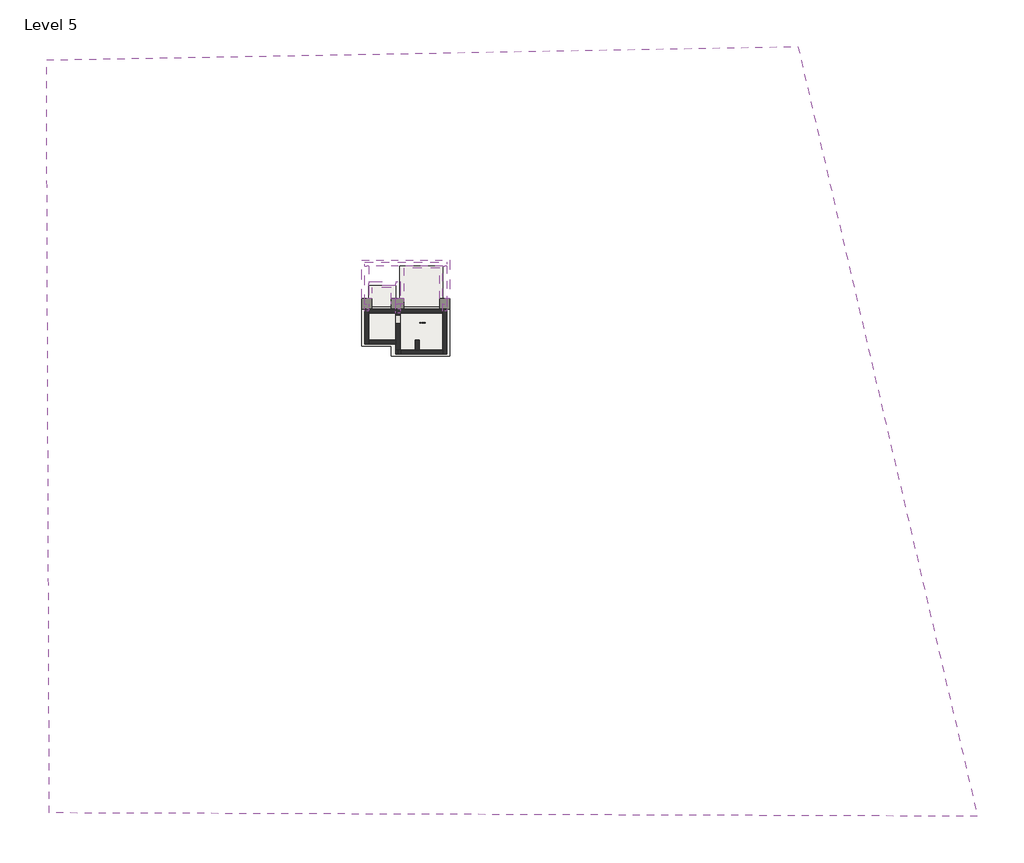
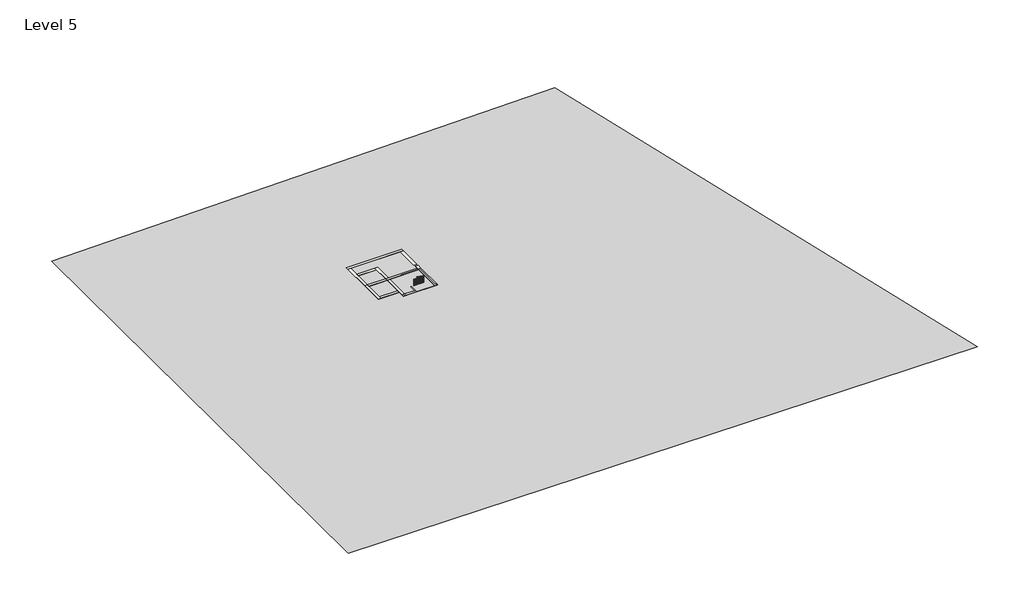
# One storey: 18 walls, 8 slabs, 1 proxy, 1 railing, 1 window.
"""IFC4 building model written with IfcOpenShell, lengths in millimetres."""

import ifcopenshell
import ifcopenshell.guid

model = None  # the IFC model being written
_history = None  # IfcOwnerHistory: only IFC2X3 demands one
_inside = {}  # id of a spatial element -> (the spatial element, [elements in it])
_under = {}  # id of a project, library or spatial element -> (it, [spatial elements below it])
_declared = {}  # id of a project -> (the project, [libraries it declares])
_typed = {}  # id of a type object -> (the type object, [elements of that type])
_made_of = {}  # id of a material, layer set ... -> (it, [elements and type objects made of it])


def new_model(schema):
    """Start an empty IFC model of exactly this schema.

    Asked for "IFC4X3", IfcOpenShell would pick the latest addendum, in which some entities
    have other attributes; the version numbers below select the first issue.
    IFC2X3 requires an IfcOwnerHistory on every rooted entity: one is made here for all.
    """
    global model, _history
    if schema == "IFC4X3":
        model = ifcopenshell.file(schema_version=(4, 3, 0, 0))
    else:
        model = ifcopenshell.file(schema=schema)
    _inside.clear()
    _under.clear()
    _declared.clear()
    _typed.clear()
    _made_of.clear()
    _history = None
    if model.schema == "IFC2X3":
        org = make("IfcOrganization", Name="unknown")
        user = make(
            "IfcPersonAndOrganization",
            ThePerson=make("IfcPerson", FamilyName="unknown"),
            TheOrganization=org,
        )
        app = make(
            "IfcApplication",
            ApplicationDeveloper=org,
            Version="unknown",
            ApplicationFullName="unknown",
            ApplicationIdentifier="unknown",
        )
        _history = make(
            "IfcOwnerHistory",
            OwningUser=user,
            OwningApplication=app,
            ChangeAction="ADDED",
            CreationDate=0,
        )
    return model


def make(cls, **values):
    """One entity of the class cls with the attributes given. An attribute that is None is left unset."""
    return model.create_entity(
        cls, **{name: value for name, value in values.items() if value is not None}
    )


def rooted(cls, **values):
    """An entity with a GlobalId (a new one), such as an element, a storey or a relation."""
    return make(cls, GlobalId=ifcopenshell.guid.new(), OwnerHistory=_history, **values)


def si_unit(unit_type, name, prefix=None):
    """IfcSIUnit, for example si_unit("LENGTHUNIT", "METRE", prefix="MILLI")."""
    return make("IfcSIUnit", UnitType=unit_type, Prefix=prefix, Name=name)


def assignment(units):
    """IfcUnitAssignment: the units of a project."""
    return None if units is None else make("IfcUnitAssignment", Units=units)


def point(xyz):
    """IfcCartesianPoint."""
    return None if xyz is None else make("IfcCartesianPoint", Coordinates=xyz)


def direction(xyz):
    """IfcDirection."""
    return None if xyz is None else make("IfcDirection", DirectionRatios=xyz)


def frame(location, z_axis=None, x_axis=None):
    """IfcAxis2Placement3D, a coordinate frame: its origin and axes. An axis left out is left unset."""
    return make(
        "IfcAxis2Placement3D",
        Location=point(location),
        Axis=direction(z_axis),
        RefDirection=direction(x_axis),
    )


def origin():
    """The frame at (0, 0, 0) with its axes left unset."""
    return frame((0.0, 0.0, 0.0))


def place(relative_to, where):
    """IfcLocalPlacement: puts the frame where relative to a parent placement (None: the world)."""
    return make(
        "IfcLocalPlacement", PlacementRelTo=relative_to, RelativePlacement=where
    )


def context(
    kind, dimensions, precision=None, world=None, true_north=None, identifier=None
):
    """IfcGeometricRepresentationContext, for example the 3D "Model" context."""
    return make(
        "IfcGeometricRepresentationContext",
        ContextIdentifier=identifier,
        ContextType=kind,
        CoordinateSpaceDimension=dimensions,
        Precision=precision,
        WorldCoordinateSystem=world,
        TrueNorth=true_north,
    )


def project(units=None, contexts=None):
    """IfcProject with its units and contexts."""
    return rooted(
        "IfcProject",
        Name="project",
        RepresentationContexts=contexts,
        UnitsInContext=assignment(units),
    )


def spatial(cls, under=None, at=None, **own):
    """A site, building, storey or space (cls), placed at a placement, below another one or the project."""
    s = rooted(cls, ObjectPlacement=at, **own)
    if under is not None:
        _under.setdefault(under.id(), (under, []))[1].append(s)
    return s


def polyline(points):
    """IfcPolyline through the points."""
    return make("IfcPolyline", Points=[point(p) for p in points])


def point_list(points):
    """IfcCartesianPointList2D or 3D."""
    cls = (
        "IfcCartesianPointList2D" if len(points[0]) == 2 else "IfcCartesianPointList3D"
    )
    return make(cls, CoordList=points)


def outline(outer, holes=None, kind="AREA"):
    """IfcArbitraryClosedProfileDef: a profile drawn as a closed curve; with holes, ...WithVoids."""
    if holes is None:
        return make("IfcArbitraryClosedProfileDef", ProfileType=kind, OuterCurve=outer)
    return make(
        "IfcArbitraryProfileDefWithVoids",
        ProfileType=kind,
        OuterCurve=outer,
        InnerCurves=holes,
    )


def extrude(swept, where, along, depth):
    """IfcExtrudedAreaSolid: the profile swept, set in the frame where, extruded along a direction by depth."""
    return make(
        "IfcExtrudedAreaSolid",
        SweptArea=swept,
        Position=where,
        ExtrudedDirection=direction(along),
        Depth=depth,
    )


def faces_of(points, faces, orient=None, outer=None):
    """IfcFace entities. A face is a list of loops; a loop is a list of indices into points, from 0.

    orient and outer hold one flag for each loop. By default every Orientation is true, the
    first loop of a face is its IfcFaceOuterBound and the others are IfcFaceBound.
    """
    made = []
    for i, loops in enumerate(faces):
        bounds = []
        for j, loop in enumerate(loops):
            is_outer = j == 0 if outer is None else outer[i][j]
            bounds.append(
                make(
                    "IfcFaceOuterBound" if is_outer else "IfcFaceBound",
                    Bound=make("IfcPolyLoop", Polygon=[points[k] for k in loop]),
                    Orientation=True if orient is None else orient[i][j],
                )
            )
        made.append(make("IfcFace", Bounds=bounds))
    return made


def faceted_brep(points, faces, orient=None, outer=None, voids=None):
    """IfcFacetedBrep: a solid bounded by flat faces; with voids (closed shells), ...WithVoids."""
    shared = [point(p) for p in points]
    hull = make("IfcClosedShell", CfsFaces=faces_of(shared, faces, orient, outer))
    if voids is None:
        return make("IfcFacetedBrep", Outer=hull)
    return make(
        "IfcFacetedBrepWithVoids",
        Outer=hull,
        Voids=[
            make(cls, CfsFaces=faces_of(shared, fs, o, b)) for cls, fs, o, b in voids
        ],
    )


def triangles(points, corners, closed=None, point_numbers=None):
    """IfcTriangulatedFaceSet: each triangle names its three corners, points numbered from 1."""
    return make(
        "IfcTriangulatedFaceSet",
        Coordinates=point_list(points),
        Closed=closed,
        CoordIndex=corners,
        PnIndex=point_numbers,
    )


def shape(context_of_items, identifier, shape_type, items):
    """IfcShapeRepresentation: the items that make up one representation, for example the "Body"."""
    return make(
        "IfcShapeRepresentation",
        ContextOfItems=context_of_items,
        RepresentationIdentifier=identifier,
        RepresentationType=shape_type,
        Items=items,
    )


def source(mapping_origin, context_of_items, identifier, shape_type, items):
    """IfcRepresentationMap: a shape defined once, which mapped items show again and again."""
    return make(
        "IfcRepresentationMap",
        MappingOrigin=mapping_origin,
        MappedRepresentation=shape(context_of_items, identifier, shape_type, items),
    )


def transform(
    local_origin,
    x_axis=None,
    y_axis=None,
    z_axis=None,
    scale=None,
    scale2=None,
    scale3=None,
    uniform=True,
):
    """IfcCartesianTransformationOperator3D, or its non-uniform kind. x_axis, y_axis, z_axis: its Axis1, 2, 3."""
    if uniform:
        return make(
            "IfcCartesianTransformationOperator3D",
            Axis1=direction(x_axis),
            Axis2=direction(y_axis),
            LocalOrigin=point(local_origin),
            Scale=scale,
            Axis3=direction(z_axis),
        )
    return make(
        "IfcCartesianTransformationOperator3DnonUniform",
        Axis1=direction(x_axis),
        Axis2=direction(y_axis),
        LocalOrigin=point(local_origin),
        Scale=scale,
        Axis3=direction(z_axis),
        Scale2=scale2,
        Scale3=scale3,
    )


def mapped(mapping_source, mapping_target):
    """IfcMappedItem: shows the shape of a source again, moved by a transform."""
    return make(
        "IfcMappedItem", MappingSource=mapping_source, MappingTarget=mapping_target
    )


def made_of(thing, what):
    """Note that an element or type object is made of a material, layer set ...; save() writes the relation."""
    if what is not None:
        _made_of.setdefault(what.id(), (what, []))[1].append(thing)
    return thing


def element(
    cls,
    number,
    at=None,
    inside=None,
    cuts=None,
    type_object=None,
    material=None,
    context=None,
    identifier="Body",
    shape_type=None,
    held_by="IfcProductDefinitionShape",
    body=None,
    shapes=None,
    **own,
):
    """One element of the class cls, such as IfcWall. Its Tag is "e" and its number.

    at: its placement. inside: the storey or other place that contains it. cuts: it is an
    opening in that element (IfcRelVoidsElement). A single representation is given by context,
    identifier, shape_type and body (its items); several are given by shapes. held_by: the class
    of the entity that holds the representations. save() writes the other relations.
    """
    e = rooted(cls, Tag="e%d" % number, ObjectPlacement=at, **own)
    if body is not None:
        shapes = [shape(context, identifier, shape_type, body)]
    if shapes is not None:
        e.Representation = make(held_by, Representations=shapes)
    if inside is not None:
        _inside.setdefault(inside.id(), (inside, []))[1].append(e)
    if cuts is not None:
        rooted(
            "IfcRelVoidsElement", RelatingBuildingElement=cuts, RelatedOpeningElement=e
        )
    if type_object is not None:
        _typed.setdefault(type_object.id(), (type_object, []))[1].append(e)
    return made_of(e, material)


def aggregate(whole, parts):
    """IfcRelAggregates: a whole, such as a stair, and the parts it consists of."""
    return rooted("IfcRelAggregates", RelatingObject=whole, RelatedObjects=parts)


def save(model, path):
    """Write the relations noted so far, then the file.

    IfcRelAggregates (storeys below a building ...), IfcRelContainedInSpatialStructure (elements
    in a storey), IfcRelDefinesByType, IfcRelAssociatesMaterial and IfcRelDeclares: one each for
    every whole, place, type object, material and project.
    """
    for whole, parts in _under.values():
        aggregate(whole, parts)
    for where, things in _inside.values():
        rooted(
            "IfcRelContainedInSpatialStructure",
            RelatedElements=things,
            RelatingStructure=where,
        )
    for kind, things in _typed.values():
        rooted("IfcRelDefinesByType", RelatedObjects=things, RelatingType=kind)
    for what, things in _made_of.values():
        rooted("IfcRelAssociatesMaterial", RelatedObjects=things, RelatingMaterial=what)
    for by, libraries in _declared.values():
        rooted("IfcRelDeclares", RelatingContext=by, RelatedDefinitions=libraries)
    model.write(path)


def handrail_rectangular_247eb8ce(model_context):
    return source(origin(), model_context, "Body", "SolidModel", [
        faceted_brep([(-3885.6525104, -4035.1378962, -1298.7684971), (-3885.6525104, -3984.3378962, -1298.7684971), (-3885.6525104, -3984.3378962, -1361.6716773), (-3885.6525104, -4035.1378962, -1361.6716773), (-2591.0525104, -4035.1378962, -353.385157), (-2591.0525104, -4035.1378962, -416.2883372), (-2591.0525104, -3984.3378962, -416.2883372), (-2591.0525104, -3984.3378962, -353.385157)], [[[0, 1, 2, 3]], [[4, 5, 6, 7]], [[1, 0, 4, 7]], [[2, 1, 7, 6]], [[3, 2, 6, 5]], [[0, 3, 5, 4]]]),
        faceted_brep([(-2591.0525104, -3984.3378962, -161.1789565), (-2540.2525104, -3984.3378962, -161.1789565), (-2540.2525104, -3984.3378962, -223.479984), (-2591.0525104, -3984.3378962, -223.479984), (-2591.0525104, -5629.7378962, 1007.0), (-2540.2525104, -5629.7378962, 1007.0), (-2540.2525104, -5645.9372899, 956.2), (-2591.0525104, -5645.9372899, 956.2), (-2591.0525104, -5767.4937808, 1007.0), (-2540.2525104, -5818.2937808, 1007.0), (-2540.2525104, -5818.2937808, 956.2), (-2591.0525104, -5767.4937808, 956.2), (-3958.5854491, -5767.4937808, 1007.0), (-3958.5854491, -5767.4937808, 956.2), (-3958.5854491, -5818.2937808, 956.2), (-3958.5854491, -5818.2937808, 1007.0)], [[[0, 1, 2, 3]], [[1, 0, 4, 5]], [[2, 1, 5, 6]], [[3, 2, 6, 7]], [[0, 3, 7, 4]], [[5, 4, 8, 9]], [[6, 5, 9, 10]], [[7, 6, 10, 11]], [[4, 7, 11, 8]], [[12, 13, 14, 15]], [[9, 8, 12, 15]], [[10, 9, 15, 14]], [[11, 10, 14, 13]], [[8, 11, 13, 12]]]),
        extrude(outline(polyline([(-3876.9275104, -5783.3687808), (-3876.9275104, -5802.4187808), (-3895.9775104, -5802.4187808), (-3895.9775104, -5783.3687808), (-3876.9275104, -5783.3687808)])), frame((0.0, 0.0, 92.6), z_axis=(0.0, 0.0, 1.0), x_axis=(1.0, 0.0, 0.0)), (0.0, 0.0, 1.0), 863.6),
        extrude(outline(polyline([(-3775.3275104, -5783.3687808), (-3775.3275104, -5802.4187808), (-3794.3775104, -5802.4187808), (-3794.3775104, -5783.3687808), (-3775.3275104, -5783.3687808)])), frame((0.0, 0.0, 92.6), z_axis=(0.0, 0.0, 1.0), x_axis=(1.0, 0.0, 0.0)), (0.0, 0.0, 1.0), 863.6),
        extrude(outline(polyline([(-3673.7275104, -5783.3687808), (-3673.7275104, -5802.4187808), (-3692.7775104, -5802.4187808), (-3692.7775104, -5783.3687808), (-3673.7275104, -5783.3687808)])), frame((0.0, 0.0, 92.6), z_axis=(0.0, 0.0, 1.0), x_axis=(1.0, 0.0, 0.0)), (0.0, 0.0, 1.0), 863.6),
        extrude(outline(polyline([(-3572.1275104, -5783.3687808), (-3572.1275104, -5802.4187808), (-3591.1775104, -5802.4187808), (-3591.1775104, -5783.3687808), (-3572.1275104, -5783.3687808)])), frame((0.0, 0.0, 92.6), z_axis=(0.0, 0.0, 1.0), x_axis=(1.0, 0.0, 0.0)), (0.0, 0.0, 1.0), 863.6),
        extrude(outline(polyline([(-3470.5275104, -5783.3687808), (-3470.5275104, -5802.4187808), (-3489.5775104, -5802.4187808), (-3489.5775104, -5783.3687808), (-3470.5275104, -5783.3687808)])), frame((0.0, 0.0, 92.6), z_axis=(0.0, 0.0, 1.0), x_axis=(1.0, 0.0, 0.0)), (0.0, 0.0, 1.0), 863.6),
        extrude(outline(polyline([(-3368.9275104, -5783.3687808), (-3368.9275104, -5802.4187808), (-3387.9775104, -5802.4187808), (-3387.9775104, -5783.3687808), (-3368.9275104, -5783.3687808)])), frame((0.0, 0.0, 92.6), z_axis=(0.0, 0.0, 1.0), x_axis=(1.0, 0.0, 0.0)), (0.0, 0.0, 1.0), 863.6),
        extrude(outline(polyline([(-3267.3275104, -5783.3687808), (-3267.3275104, -5802.4187808), (-3286.3775104, -5802.4187808), (-3286.3775104, -5783.3687808), (-3267.3275104, -5783.3687808)])), frame((0.0, 0.0, 92.6), z_axis=(0.0, 0.0, 1.0), x_axis=(1.0, 0.0, 0.0)), (0.0, 0.0, 1.0), 863.6),
        extrude(outline(polyline([(-3165.7275104, -5783.3687808), (-3165.7275104, -5802.4187808), (-3184.7775104, -5802.4187808), (-3184.7775104, -5783.3687808), (-3165.7275104, -5783.3687808)])), frame((0.0, 0.0, 92.6), z_axis=(0.0, 0.0, 1.0), x_axis=(1.0, 0.0, 0.0)), (0.0, 0.0, 1.0), 863.6),
        extrude(outline(polyline([(-3064.1275104, -5783.3687808), (-3064.1275104, -5802.4187808), (-3083.1775104, -5802.4187808), (-3083.1775104, -5783.3687808), (-3064.1275104, -5783.3687808)])), frame((0.0, 0.0, 92.6), z_axis=(0.0, 0.0, 1.0), x_axis=(1.0, 0.0, 0.0)), (0.0, 0.0, 1.0), 863.6),
        extrude(outline(polyline([(-2962.5275104, -5783.3687808), (-2962.5275104, -5802.4187808), (-2981.5775104, -5802.4187808), (-2981.5775104, -5783.3687808), (-2962.5275104, -5783.3687808)])), frame((0.0, 0.0, 92.6), z_axis=(0.0, 0.0, 1.0), x_axis=(1.0, 0.0, 0.0)), (0.0, 0.0, 1.0), 863.6),
        extrude(outline(polyline([(-2860.9275104, -5783.3687808), (-2860.9275104, -5802.4187808), (-2879.9775104, -5802.4187808), (-2879.9775104, -5783.3687808), (-2860.9275104, -5783.3687808)])), frame((0.0, 0.0, 92.6), z_axis=(0.0, 0.0, 1.0), x_axis=(1.0, 0.0, 0.0)), (0.0, 0.0, 1.0), 863.6),
        extrude(outline(polyline([(-2759.3275104, -5783.3687808), (-2759.3275104, -5802.4187808), (-2778.3775104, -5802.4187808), (-2778.3775104, -5783.3687808), (-2759.3275104, -5783.3687808)])), frame((0.0, 0.0, 92.6), z_axis=(0.0, 0.0, 1.0), x_axis=(1.0, 0.0, 0.0)), (0.0, 0.0, 1.0), 863.6),
        extrude(outline(polyline([(-2657.7275104, -5783.3687808), (-2657.7275104, -5802.4187808), (-2676.7775104, -5802.4187808), (-2676.7775104, -5783.3687808), (-2657.7275104, -5783.3687808)])), frame((0.0, 0.0, 92.6), z_axis=(0.0, 0.0, 1.0), x_axis=(1.0, 0.0, 0.0)), (0.0, 0.0, 1.0), 863.6),
        extrude(outline(polyline([(-2575.1775104, -5721.8128962), (-2556.1275104, -5721.8128962), (-2556.1275104, -5740.8628962), (-2575.1775104, -5740.8628962), (-2575.1775104, -5721.8128962)])), frame((0.0, 0.0, 92.6), z_axis=(0.0, 0.0, 1.0), x_axis=(1.0, 0.0, 0.0)), (0.0, 0.0, 1.0), 863.6),
        extrude(outline(polyline([(-5543.2628962, 883.3046153), (-5524.2128962, 869.7797525), (-5524.2128962, -99.0909677), (-5543.2628962, -99.0909677), (-5543.2628962, 883.3046153)])), frame((-2575.1775104, 0.0, 0.0), z_axis=(1.0, 0.0, 0.0), x_axis=(0.0, 1.0, 0.0)), (0.0, 0.0, 1.0), 19.05),
        extrude(outline(polyline([(-5441.6628962, 811.1720141), (-5422.6128962, 797.6471514), (-5422.6128962, -99.0909677), (-5441.6628962, -99.0909677), (-5441.6628962, 811.1720141)])), frame((-2575.1775104, 0.0, 0.0), z_axis=(1.0, 0.0, 0.0), x_axis=(0.0, 1.0, 0.0)), (0.0, 0.0, 1.0), 19.05),
        extrude(outline(polyline([(-5340.0628962, 738.9506671), (-5321.0128962, 725.4258044), (-5321.0128962, -290.7819354), (-5340.0628962, -290.7819354), (-5340.0628962, 738.9506671)])), frame((-2575.1775104, 0.0, 0.0), z_axis=(1.0, 0.0, 0.0), x_axis=(0.0, 1.0, 0.0)), (0.0, 0.0, 1.0), 19.05),
        extrude(outline(polyline([(-5238.4628962, 666.9068117), (-5219.4128962, 653.381949), (-5219.4128962, -290.7819354), (-5238.4628962, -290.7819354), (-5238.4628962, 666.9068117)])), frame((-2575.1775104, 0.0, 0.0), z_axis=(1.0, 0.0, 0.0), x_axis=(0.0, 1.0, 0.0)), (0.0, 0.0, 1.0), 19.05),
        extrude(outline(polyline([(-5136.8628962, 594.7742106), (-5117.8128962, 581.2493478), (-5117.8128962, -290.7819354), (-5136.8628962, -290.7819354), (-5136.8628962, 594.7742106)])), frame((-2575.1775104, 0.0, 0.0), z_axis=(1.0, 0.0, 0.0), x_axis=(0.0, 1.0, 0.0)), (0.0, 0.0, 1.0), 19.05),
        extrude(outline(polyline([(-5035.2628962, 522.6416094), (-5016.2128962, 509.1167467), (-5016.2128962, -482.4729031), (-5035.2628962, -482.4729031), (-5035.2628962, 522.6416094)])), frame((-2575.1775104, 0.0, 0.0), z_axis=(1.0, 0.0, 0.0), x_axis=(0.0, 1.0, 0.0)), (0.0, 0.0, 1.0), 19.05),
        extrude(outline(polyline([(-4933.6628962, 450.5090082), (-4914.6128962, 436.9841455), (-4914.6128962, -482.4729031), (-4933.6628962, -482.4729031), (-4933.6628962, 450.5090082)])), frame((-2575.1775104, 0.0, 0.0), z_axis=(1.0, 0.0, 0.0), x_axis=(0.0, 1.0, 0.0)), (0.0, 0.0, 1.0), 19.05),
        extrude(outline(polyline([(-4832.0628962, 378.376407), (-4813.0128962, 364.8515443), (-4813.0128962, -482.4729031), (-4832.0628962, -482.4729031), (-4832.0628962, 378.376407)])), frame((-2575.1775104, 0.0, 0.0), z_axis=(1.0, 0.0, 0.0), x_axis=(0.0, 1.0, 0.0)), (0.0, 0.0, 1.0), 19.05),
        extrude(outline(polyline([(-4730.4628962, 306.2438058), (-4711.4128962, 292.7189431), (-4711.4128962, -674.1638708), (-4730.4628962, -674.1638708), (-4730.4628962, 306.2438058)])), frame((-2575.1775104, 0.0, 0.0), z_axis=(1.0, 0.0, 0.0), x_axis=(0.0, 1.0, 0.0)), (0.0, 0.0, 1.0), 19.05),
        extrude(outline(polyline([(-4628.8628962, 234.1112047), (-4609.8128962, 220.586342), (-4609.8128962, -674.1638708), (-4628.8628962, -674.1638708), (-4628.8628962, 234.1112047)])), frame((-2575.1775104, 0.0, 0.0), z_axis=(1.0, 0.0, 0.0), x_axis=(0.0, 1.0, 0.0)), (0.0, 0.0, 1.0), 19.05),
        extrude(outline(polyline([(-4527.2628962, 161.9786035), (-4508.2128962, 148.4537408), (-4508.2128962, -865.8548385), (-4527.2628962, -865.8548385), (-4527.2628962, 161.9786035)])), frame((-2575.1775104, 0.0, 0.0), z_axis=(1.0, 0.0, 0.0), x_axis=(0.0, 1.0, 0.0)), (0.0, 0.0, 1.0), 19.05),
        extrude(outline(polyline([(-4425.6628962, 89.8460023), (-4406.6128962, 76.3211396), (-4406.6128962, -865.8548385), (-4425.6628962, -865.8548385), (-4425.6628962, 89.8460023)])), frame((-2575.1775104, 0.0, 0.0), z_axis=(1.0, 0.0, 0.0), x_axis=(0.0, 1.0, 0.0)), (0.0, 0.0, 1.0), 19.05),
        extrude(outline(polyline([(-4324.0628962, 17.7134011), (-4305.0128962, 4.1885384), (-4305.0128962, -865.8548385), (-4324.0628962, -865.8548385), (-4324.0628962, 17.7134011)])), frame((-2575.1775104, 0.0, 0.0), z_axis=(1.0, 0.0, 0.0), x_axis=(0.0, 1.0, 0.0)), (0.0, 0.0, 1.0), 19.05),
        extrude(outline(polyline([(-4222.4628962, -54.4192), (-4203.4128962, -67.9440628), (-4203.4128962, -1057.5458062), (-4222.4628962, -1057.5458062), (-4222.4628962, -54.4192)])), frame((-2575.1775104, 0.0, 0.0), z_axis=(1.0, 0.0, 0.0), x_axis=(0.0, 1.0, 0.0)), (0.0, 0.0, 1.0), 19.05),
        extrude(outline(polyline([(-4120.8628962, -126.5518012), (-4101.8128962, -140.0766639), (-4101.8128962, -1057.5458062), (-4120.8628962, -1057.5458062), (-4120.8628962, -126.5518012)])), frame((-2575.1775104, 0.0, 0.0), z_axis=(1.0, 0.0, 0.0), x_axis=(0.0, 1.0, 0.0)), (0.0, 0.0, 1.0), 19.05),
        extrude(outline(polyline([(-464.3936419, -2656.9275104), (-478.3049293, -2675.9775104), (-1440.9277416, -2675.9775104), (-1440.9277416, -2656.9275104), (-464.3936419, -2656.9275104)])), frame((0.0, -4019.2628962, 0.0), z_axis=(0.0, 1.0, 0.0), x_axis=(0.0, 0.0, 1.0)), (0.0, 0.0, 1.0), 19.05),
        extrude(outline(polyline([(-538.5871745, -2758.5275104), (-552.4984619, -2777.5775104), (-1440.9277416, -2777.5775104), (-1440.9277416, -2758.5275104), (-538.5871745, -2758.5275104)])), frame((0.0, -4019.2628962, 0.0), z_axis=(0.0, 1.0, 0.0), x_axis=(0.0, 0.0, 1.0)), (0.0, 0.0, 1.0), 19.05),
        extrude(outline(polyline([(-612.7807072, -2860.1275104), (-626.6919946, -2879.1775104), (-1632.6187092, -2879.1775104), (-1632.6187092, -2860.1275104), (-612.7807072, -2860.1275104)])), frame((0.0, -4019.2628962, 0.0), z_axis=(0.0, 1.0, 0.0), x_axis=(0.0, 0.0, 1.0)), (0.0, 0.0, 1.0), 19.05),
        extrude(outline(polyline([(-686.9742398, -2961.7275104), (-700.8855272, -2980.7775104), (-1632.6187092, -2980.7775104), (-1632.6187092, -2961.7275104), (-686.9742398, -2961.7275104)])), frame((0.0, -4019.2628962, 0.0), z_axis=(0.0, 1.0, 0.0), x_axis=(0.0, 0.0, 1.0)), (0.0, 0.0, 1.0), 19.05),
        extrude(outline(polyline([(-761.1677725, -3063.3275104), (-775.0790598, -3082.3775104), (-1632.6187092, -3082.3775104), (-1632.6187092, -3063.3275104), (-761.1677725, -3063.3275104)])), frame((0.0, -4019.2628962, 0.0), z_axis=(0.0, 1.0, 0.0), x_axis=(0.0, 0.0, 1.0)), (0.0, 0.0, 1.0), 19.05),
        extrude(outline(polyline([(-835.3613051, -3164.9275104), (-849.2725925, -3183.9775104), (-1824.3096769, -3183.9775104), (-1824.3096769, -3164.9275104), (-835.3613051, -3164.9275104)])), frame((0.0, -4019.2628962, 0.0), z_axis=(0.0, 1.0, 0.0), x_axis=(0.0, 0.0, 1.0)), (0.0, 0.0, 1.0), 19.05),
        extrude(outline(polyline([(-909.5548377, -3266.5275104), (-923.4661251, -3285.5775104), (-1824.3096769, -3285.5775104), (-1824.3096769, -3266.5275104), (-909.5548377, -3266.5275104)])), frame((0.0, -4019.2628962, 0.0), z_axis=(0.0, 1.0, 0.0), x_axis=(0.0, 0.0, 1.0)), (0.0, 0.0, 1.0), 19.05),
        extrude(outline(polyline([(-983.7483704, -3368.1275104), (-997.6596577, -3387.1775104), (-2016.0006446, -3387.1775104), (-2016.0006446, -3368.1275104), (-983.7483704, -3368.1275104)])), frame((0.0, -4019.2628962, 0.0), z_axis=(0.0, 1.0, 0.0), x_axis=(0.0, 0.0, 1.0)), (0.0, 0.0, 1.0), 19.05),
        extrude(outline(polyline([(-1057.941903, -3469.7275104), (-1071.8531904, -3488.7775104), (-2016.0006446, -3488.7775104), (-2016.0006446, -3469.7275104), (-1057.941903, -3469.7275104)])), frame((0.0, -4019.2628962, 0.0), z_axis=(0.0, 1.0, 0.0), x_axis=(0.0, 0.0, 1.0)), (0.0, 0.0, 1.0), 19.05),
        extrude(outline(polyline([(-1132.1354357, -3571.3275104), (-1146.046723, -3590.3775104), (-2016.0006446, -3590.3775104), (-2016.0006446, -3571.3275104), (-1132.1354357, -3571.3275104)])), frame((0.0, -4019.2628962, 0.0), z_axis=(0.0, 1.0, 0.0), x_axis=(0.0, 0.0, 1.0)), (0.0, 0.0, 1.0), 19.05),
        extrude(outline(polyline([(-1206.3289683, -3672.9275104), (-1220.2402557, -3691.9775104), (-2207.6916123, -3691.9775104), (-2207.6916123, -3672.9275104), (-1206.3289683, -3672.9275104)])), frame((0.0, -4019.2628962, 0.0), z_axis=(0.0, 1.0, 0.0), x_axis=(0.0, 0.0, 1.0)), (0.0, 0.0, 1.0), 19.05),
        extrude(outline(polyline([(-1280.5225009, -3774.5275104), (-1294.4337883, -3793.5775104), (-2207.6916123, -3793.5775104), (-2207.6916123, -3774.5275104), (-1280.5225009, -3774.5275104)])), frame((0.0, -4019.2628962, 0.0), z_axis=(0.0, 1.0, 0.0), x_axis=(0.0, 0.0, 1.0)), (0.0, 0.0, 1.0), 19.05),
        extrude(outline(polyline([(-2575.1775104, -5783.3687808), (-2556.1275104, -5783.3687808), (-2556.1275104, -5802.4187808), (-2575.1775104, -5802.4187808), (-2575.1775104, -5783.3687808)])), frame((0.0, 0.0, 92.6), z_axis=(0.0, 0.0, 1.0), x_axis=(1.0, 0.0, 0.0)), (0.0, 0.0, 1.0), 863.6),
        extrude(outline(polyline([(-2575.1775104, -5620.2128962), (-2556.1275104, -5620.2128962), (-2556.1275104, -5639.2628962), (-2575.1775104, -5639.2628962), (-2575.1775104, -5620.2128962)])), frame((0.0, 0.0, 92.6), z_axis=(0.0, 0.0, 1.0), x_axis=(1.0, 0.0, 0.0)), (0.0, 0.0, 1.0), 863.6),
        extrude(outline(polyline([(-4019.2628962, -198.6844024), (-4000.2128962, -212.2092651), (-4000.2128962, -1249.2367739), (-4019.2628962, -1249.2367739), (-4019.2628962, -198.6844024)])), frame((-2575.1775104, 0.0, 0.0), z_axis=(1.0, 0.0, 0.0), x_axis=(0.0, 1.0, 0.0)), (0.0, 0.0, 1.0), 19.05),
        extrude(outline(polyline([(-3939.5354491, -5783.3687808), (-3939.5354491, -5802.4187808), (-3958.5854491, -5802.4187808), (-3958.5854491, -5783.3687808), (-3939.5354491, -5783.3687808)])), frame((0.0, 0.0, 92.6), z_axis=(0.0, 0.0, 1.0), x_axis=(1.0, 0.0, 0.0)), (0.0, 0.0, 1.0), 863.6),
        extrude(outline(polyline([(-1347.7603899, -3866.6025104), (-1361.6716773, -3885.6525104), (-2207.6916123, -3885.6525104), (-2207.6916123, -3866.6025104), (-1347.7603899, -3866.6025104)])), frame((0.0, -4019.2628962, 0.0), z_axis=(0.0, 1.0, 0.0), x_axis=(0.0, 0.0, 1.0)), (0.0, 0.0, 1.0), 19.05),
    ])


def casement_dbl_with_trim_a44b3c8c(model_context):
    return source(origin(), model_context, "Body", "SweptSolid", [
        extrude(outline(polyline([(63.5, -184.125), (63.5, -171.425), (556.5, -171.425), (556.5, -184.125), (63.5, -184.125)])), frame((0.0, 0.0, 1282.7), z_axis=(0.0, 0.0, 1.0), x_axis=(1.0, 0.0, 0.0)), (0.0, 0.0, 1.0), 663.0),
        extrude(outline(polyline([(1990.15, 19.05), (1238.25, 19.05), (1238.25, 600.95), (1990.15, 600.95), (1990.15, 19.05)]), holes=[polyline([(1945.7, 63.5), (1945.7, 556.5), (1282.7, 556.5), (1282.7, 63.5), (1945.7, 63.5)])]), frame((0.0, -200.0, 0.0), z_axis=(0.0, 1.0, 0.0), x_axis=(0.0, 0.0, 1.0)), (0.0, 0.0, 1.0), 44.45),
        extrude(outline(polyline([(19.05, -155.55), (19.05, -219.05), (-19.05, -219.05), (-19.05, -155.55), (19.05, -155.55)])), frame((0.0, 0.0, 1238.25), z_axis=(0.0, 0.0, 1.0), x_axis=(1.0, 0.0, 0.0)), (0.0, 0.0, 1.0), 751.9),
        extrude(outline(polyline([(-689.85, -244.45), (-689.85, -219.05), (689.85, -219.05), (689.85, -244.45), (-689.85, -244.45)])), frame((0.0, 0.0, 1219.2), z_axis=(0.0, 0.0, 1.0), x_axis=(1.0, 0.0, 0.0)), (0.0, 0.0, 1.0), 19.05),
        extrude(outline(polyline([(1990.15, -600.95), (1990.15, 600.95), (1238.25, 600.95), (1238.25, 689.85), (2079.05, 689.85), (2079.05, -689.85), (1238.25, -689.85), (1238.25, -600.95), (1990.15, -600.95)])), frame((0.0, -231.75, 0.0), z_axis=(0.0, 1.0, 0.0), x_axis=(0.0, 0.0, 1.0)), (0.0, 0.0, 1.0), 12.7),
        extrude(outline(polyline([(2066.35, 677.15), (2066.35, -677.15), (1162.05, -677.15), (1162.05, 677.15), (2066.35, 677.15)]), holes=[polyline([(1977.45, 588.25), (1250.95, 588.25), (1250.95, -588.25), (1977.45, -588.25), (1977.45, 588.25)])]), frame((0.0, 180.95, 0.0), z_axis=(0.0, 1.0, 0.0), x_axis=(0.0, 0.0, 1.0)), (0.0, 0.0, 1.0), 19.05),
        extrude(outline(polyline([(-63.5, -171.425), (-63.5, -184.125), (-556.5, -184.125), (-556.5, -171.425), (-63.5, -171.425)])), frame((0.0, 0.0, 1282.7), z_axis=(0.0, 0.0, 1.0), x_axis=(1.0, 0.0, 0.0)), (0.0, 0.0, 1.0), 663.0),
        extrude(outline(polyline([(1990.15, -600.95), (1238.25, -600.95), (1238.25, -19.05), (1990.15, -19.05), (1990.15, -600.95)]), holes=[polyline([(1945.7, -556.5), (1945.7, -63.5), (1282.7, -63.5), (1282.7, -556.5), (1945.7, -556.5)])]), frame((0.0, -200.0, 0.0), z_axis=(0.0, 1.0, 0.0), x_axis=(0.0, 0.0, 1.0)), (0.0, 0.0, 1.0), 44.45),
        extrude(outline(polyline([(2009.2, -620.0), (1219.2, -620.0), (1219.2, 620.0), (2009.2, 620.0), (2009.2, -620.0)]), holes=[polyline([(1977.45, -588.25), (1977.45, 588.25), (1250.95, 588.25), (1250.95, -588.25), (1977.45, -588.25)])]), frame((0.0, -155.55, 0.0), z_axis=(0.0, 1.0, 0.0), x_axis=(0.0, 0.0, 1.0)), (0.0, 0.0, 1.0), 336.5),
        extrude(outline(polyline([(2009.2, 620.0), (2009.2, -620.0), (1219.2, -620.0), (1219.2, 620.0), (2009.2, 620.0)]), holes=[polyline([(1990.15, 600.95), (1238.25, 600.95), (1238.25, -600.95), (1990.15, -600.95), (1990.15, 600.95)])]), frame((0.0, -219.05, 0.0), z_axis=(0.0, 1.0, 0.0), x_axis=(0.0, 0.0, 1.0)), (0.0, 0.0, 1.0), 63.5),
    ])


model = new_model("IFC4")

# Units and contexts
model_context = context("Model", 3, world=origin())
ifc_project = project(units=[si_unit("LENGTHUNIT", "METRE", prefix="MILLI")], contexts=[model_context])

# Site, building, storey
site = spatial("IfcSite", under=ifc_project)
building = spatial("IfcBuilding", under=site)
storey = spatial("IfcBuildingStorey", under=building, Name="Level 5", Elevation=-3049.38258)

# Proxy
placement = place(None, origin())
element("IfcBuildingElementProxy", 1, Name="Building Element Proxy", at=placement, inside=storey, context=model_context, shape_type="Tessellation", body=[
    triangles([(-40326.5385132, 21673.9189087, -152.196306), (33019.6775391, 22983.5110657, -152.196306), (-40052.8528931, -51876.261438, -152.196306), (50547.9006592, -52210.3759277, -152.196306), (-3958.5854073, -3072.8938293, 0.0), (-1678.5854771, -3072.8938293, 0.0), (-1658.5853897, -6685.3936752, 0.0), (-3958.2014191, -6669.2475677, 0.0)], [[3, 8, 1], [8, 3, 7], [1, 5, 2], [5, 1, 8], [8, 6, 5], [7, 4, 2], [4, 7, 3], [6, 2, 5], [2, 6, 7], [7, 6, 8]], closed=False),
])

# Railing
handrail_rectangular_shape = handrail_rectangular_247eb8ce(model_context)
element("IfcRailing", 2, ObjectType="Handrail - Rectangular", at=placement, inside=storey, context=model_context, shape_type="MappedRepresentation", body=[
    mapped(handrail_rectangular_shape, transform((0.0, 0.0, 0.0), x_axis=(1.0, 0.0, 0.0), y_axis=(0.0, 1.0, 0.0), z_axis=(0.0, 0.0, 1.0))),
])

# Slabs
element("IfcSlab", 3, at=placement, inside=storey, context=model_context, shape_type="SweptSolid", body=[
    extrude(outline(polyline([(-958.2013164, -1649.8151014), (-1958.2013164, -1649.8151014), (-1958.2013164, 1330.1848986), (-5458.2013164, 1330.1848986), (-5458.2013164, -1649.8151014), (-6658.2013164, -1649.8151014), (-6658.2013164, -569.8151014), (-8558.2013164, -569.8151014), (-8558.2013164, -1649.8151014), (-9558.2013164, -1649.8151014), (-9558.2013164, 2130.1848986), (-958.2013164, 2130.1848986), (-958.2013164, -1649.8151014)]), holes=[polyline([(-6658.2013164, 1330.1848986), (-8558.2013164, 1330.1848986), (-8558.2013164, 230.1848986), (-6658.2013164, 230.1848986), (-6658.2013164, 1330.1848986)])]), frame((0.0, 0.0, -1184.4687757), z_axis=(0.0, 0.0, 1.0), x_axis=(1.0, 0.0, 0.0)), (0.0, 0.0, 1.0), 500.0),
])
element("IfcSlab", 4, at=placement, inside=storey, context=model_context, shape_type="SweptSolid", body=[
    extrude(outline(polyline([(-8558.2013164, -2448.1968315), (-8558.2013164, -2648.1968315), (-9558.2013164, -2648.1968315), (-9558.2013164, -2448.1968315), (-8558.2013164, -2448.1968315)])), frame((0.0, 0.0, -2500.2813173), z_axis=(0.0, 0.0, 1.0), x_axis=(1.0, 0.0, 0.0)), (0.0, 0.0, 1.0), 400.0),
    extrude(outline(polyline([(-5458.2013164, -2448.1968315), (-5458.2013164, -2648.1968315), (-6658.2013164, -2648.1968315), (-6658.2013164, -2448.1968315), (-5458.2013164, -2448.1968315)])), frame((0.0, 0.0, -2500.2813173), z_axis=(0.0, 0.0, 1.0), x_axis=(1.0, 0.0, 0.0)), (0.0, 0.0, 1.0), 400.0),
    extrude(outline(polyline([(-958.2013164, -2448.1968315), (-958.2013164, -2648.1968315), (-1958.2013164, -2648.1968315), (-1958.2013164, -2448.1968315), (-958.2013164, -2448.1968315)])), frame((0.0, 0.0, -2500.2813173), z_axis=(0.0, 0.0, 1.0), x_axis=(1.0, 0.0, 0.0)), (0.0, 0.0, 1.0), 400.0),
])
element("IfcSlab", 5, at=placement, inside=storey, context=model_context, shape_type="SweptSolid", body=[
    extrude(outline(polyline([(-8558.2013164, -1649.8151014), (-8558.2013164, -2656.5400865), (-9558.2013164, -2656.5400865), (-9558.2013164, -1649.8151014), (-8558.2013164, -1649.8151014)])), frame((0.0, 0.0, -2093.871217), z_axis=(0.0, 0.0, 1.0), x_axis=(1.0, 0.0, 0.0)), (0.0, 0.0, 1.0), 500.0),
    extrude(outline(polyline([(-5458.2013164, -1649.8151014), (-5458.2013164, -2656.5400865), (-6658.2013164, -2656.5400865), (-6658.2013164, -1649.8151014), (-5458.2013164, -1649.8151014)])), frame((0.0, 0.0, -2093.871217), z_axis=(0.0, 0.0, 1.0), x_axis=(1.0, 0.0, 0.0)), (0.0, 0.0, 1.0), 500.0),
    extrude(outline(polyline([(-958.2013164, -1649.8151014), (-958.2013164, -2656.5400865), (-1958.2013164, -2656.5400865), (-1958.2013164, -1649.8151014), (-958.2013164, -1649.8151014)])), frame((0.0, 0.0, -2093.871217), z_axis=(0.0, 0.0, 1.0), x_axis=(1.0, 0.0, 0.0)), (0.0, 0.0, 1.0), 500.0),
])
element("IfcSlab", 6, at=placement, inside=storey, context=model_context, shape_type="SweptSolid", body=[
    extrude(outline(polyline([(-8558.2013164, -1650.7271326), (-8558.2013164, -2162.4328802), (-9558.2013164, -2162.4328802), (-9558.2013164, -1650.7271326), (-8558.2013164, -1650.7271326)])), frame((0.0, 0.0, -1584.1536705), z_axis=(0.0, 0.0, 1.0), x_axis=(1.0, 0.0, 0.0)), (0.0, 0.0, 1.0), 900.0),
    extrude(outline(polyline([(-5458.2013164, -1650.7271326), (-5458.2013164, -2162.4328802), (-6658.2013164, -2162.4328802), (-6658.2013164, -1650.7271326), (-5458.2013164, -1650.7271326)])), frame((0.0, 0.0, -1584.1536705), z_axis=(0.0, 0.0, 1.0), x_axis=(1.0, 0.0, 0.0)), (0.0, 0.0, 1.0), 900.0),
    extrude(outline(polyline([(-958.2013164, -1650.7271326), (-958.2013164, -2162.4328802), (-1958.2013164, -2162.4328802), (-1958.2013164, -1650.7271326), (-958.2013164, -1650.7271326)])), frame((0.0, 0.0, -1584.1536705), z_axis=(0.0, 0.0, 1.0), x_axis=(1.0, 0.0, 0.0)), (0.0, 0.0, 1.0), 900.0),
])
element("IfcSlab", 7, ObjectType="ab stopa 50", at=placement, inside=storey, context=model_context, shape_type="SweptSolid", body=[
    extrude(outline(polyline([(-6658.2013164, -7269.2474838), (-6658.2013164, -6269.2474838), (-9558.2013164, -6269.2474838), (-9558.2013164, -2449.2474838), (-958.2013164, -2449.2474838), (-958.2013164, -7269.2474838), (-6658.2013164, -7269.2474838)]), holes=[polyline([(-6658.2013164, -3249.2474838), (-8558.2013164, -3249.2474838), (-8558.2013164, -5469.2474838), (-6658.2013164, -5469.2474838), (-6658.2013164, -3249.2474838)]), polyline([(-1958.2013164, -3249.2474838), (-5458.2013164, -3249.2474838), (-5458.2013164, -6469.2474838), (-4458.2013164, -6469.2474838), (-4458.2013164, -5669.2474838), (-3858.2013164, -5669.2474838), (-3858.2013164, -6469.2474838), (-1958.2013164, -6469.2474838), (-1958.2013164, -3249.2474838)])]), frame((0.0, 0.0, -3003.2860154), z_axis=(0.0, 0.0, 1.0), x_axis=(1.0, 0.0, 0.0)), (0.0, 0.0, 1.0), 500.0),
])
element("IfcSlab", 8, ObjectType="beton pod podrum", at=placement, inside=storey, context=model_context, shape_type="SweptSolid", body=[
    extrude(outline(polyline([(-6218.2013164, -3049.2474838), (-6218.2013164, -5669.2474838), (-8858.2013164, -5669.2474838), (-8858.2013164, -3049.2474838), (-6218.2013164, -3049.2474838)])), frame((0.0, 0.0, -2549.38258), z_axis=(0.0, 0.0, 1.0), x_axis=(1.0, 0.0, 0.0)), (0.0, 0.0, 1.0), 150.0),
    extrude(outline(polyline([(-1658.2013164, -3049.2474838), (-1658.2013164, -6669.2474838), (-3958.2013164, -6669.2474838), (-3958.2013164, -5669.2474838), (-4358.2013164, -5669.2474838), (-4358.2013164, -6669.2474838), (-5818.2013164, -6669.2474838), (-5818.2013164, -3049.2474838), (-1658.2013164, -3049.2474838)])), frame((0.0, 0.0, -2549.38258), z_axis=(0.0, 0.0, 1.0), x_axis=(1.0, 0.0, 0.0)), (0.0, 0.0, 1.0), 150.0),
])
element("IfcSlab", 9, ObjectType="beton pod podrum", at=placement, inside=storey, context=model_context, shape_type="SweptSolid", body=[
    extrude(outline(polyline([(-6258.2013164, -384.2001279), (-6258.2013164, -2649.2474838), (-8858.2013164, -2649.2474838), (-8858.2013164, -384.2001279), (-6258.2013164, -384.2001279)])), frame((0.0, 0.0, -3199.38258), z_axis=(0.0, 0.0, 1.0), x_axis=(1.0, 0.0, 0.0)), (0.0, 0.0, 1.0), 150.0),
    extrude(outline(polyline([(-1658.2013164, 1515.7998721), (-1658.2013164, -2649.2474838), (-5858.2013164, -2649.2474838), (-5858.2013164, 1515.7998721), (-1658.2013164, 1515.7998721)])), frame((0.0, 0.0, -3199.38258), z_axis=(0.0, 0.0, 1.0), x_axis=(1.0, 0.0, 0.0)), (0.0, 0.0, 1.0), 150.0),
])
element("IfcSlab", 10, ObjectType="beton pod podrum", at=placement, inside=storey, context=model_context, shape_type="SweptSolid", body=[
    extrude(outline(polyline([(-5818.2013164, -6669.2474838), (-5818.2013164, -3049.2474838), (-1658.2013164, -3049.2474838), (-1658.2013164, -6669.2474838), (-3958.2013164, -6669.2474838), (-3958.2013164, -5669.2474838), (-4358.2013164, -5669.2474838), (-4358.2013164, -6669.2474838), (-5818.2013164, -6669.2474838)])), frame((0.0, 0.0, -3199.38258), z_axis=(0.0, 0.0, 1.0), x_axis=(1.0, 0.0, 0.0)), (0.0, 0.0, 1.0), 150.0),
])

# Walls
element("IfcWall", 11, at=placement, inside=storey, context=model_context, shape_type="Brep", body=[
    faceted_brep([(-1658.2013164, -2649.2474838, -3003.2860154), (-1658.2013164, -3049.2474838, -3003.2860154), (-1658.2013164, -6669.2474838, -3003.2860154), (-1658.2013164, -7069.2474838, -3003.2860154), (-1658.2013164, -7069.2474838, -1.38258), (-1658.2013164, -6669.2474838, -1.38258), (-1658.2013164, -3049.2474838, -1.38258), (-1658.2013164, -2849.2474838, -1.38258), (-1658.2013164, -2849.2474838, -7.4265197), (-1658.2013164, -2849.2474838, -684.4687757), (-1658.2013164, -2849.2474838, -1593.871217), (-1658.2013164, -2649.2474838, -1593.871217), (-1258.2013164, -2649.2474838, -3003.2860154), (-1258.2013164, -2649.2474838, -1593.871217), (-1258.2013164, -2849.2474838, -1593.871217), (-1258.2013164, -2849.2474838, -684.4687757), (-1258.2013164, -2849.2474838, -7.4265197), (-1258.2013164, -2849.2474838, -1.38258), (-1258.2013164, -7069.2474838, -1.38258), (-1258.2013164, -7069.2474838, -3003.2860154)], [[[0, 1, 2, 3, 4, 5, 6, 7, 8, 9, 10, 11]], [[12, 13, 14, 15, 16, 17, 18, 19]], [[3, 2, 1, 0, 12, 19]], [[7, 6, 5, 4, 18, 17]], [[4, 3, 19, 18]], [[10, 14, 13, 11]], [[7, 17, 16, 15, 14, 10, 9, 8]], [[0, 11, 13, 12]]]),
])
element("IfcWall", 12, at=placement, inside=storey, context=model_context, shape_type="Brep", body=[
    faceted_brep([(-1658.2013164, -6669.2474838, -3003.2860154), (-3958.2013164, -6669.2474838, -3003.2860154), (-4358.2013164, -6669.2474838, -3003.2860154), (-5818.2013164, -6669.2474838, -3003.2860154), (-6218.2013164, -6669.2474838, -3003.2860154), (-6218.2013164, -6669.2474838, -1.38258), (-5818.2013164, -6669.2474838, -1.38258), (-4358.2013164, -6669.2474838, -1.38258), (-3958.2013164, -6669.2474838, -1.38258), (-1658.2013164, -6669.2474838, -1.38258), (-1658.2013164, -7069.2474838, -3003.2860154), (-1658.2013164, -7069.2474838, -1.38258), (-6218.2013164, -7069.2474838, -1.38258), (-6218.2013164, -7069.2474838, -3003.2860154)], [[[0, 1, 2, 3, 4, 5, 6, 7, 8, 9]], [[10, 11, 12, 13]], [[4, 3, 2, 1, 0, 10, 13]], [[9, 8, 7, 6, 5, 12, 11]], [[0, 9, 11, 10]], [[4, 13, 12, 5]]]),
])
element("IfcWall", 13, at=placement, inside=storey, context=model_context, shape_type="SweptSolid", body=[
    extrude(outline(polyline([(-3958.2013164, -5669.2474838), (-3958.2013164, -6669.2474838), (-4358.2013164, -6669.2474838), (-4358.2013164, -5669.2474838), (-3958.2013164, -5669.2474838)])), frame((0.0, 0.0, -3003.2860154), z_axis=(0.0, 0.0, 1.0), x_axis=(1.0, 0.0, 0.0)), (0.0, 0.0, 1.0), 3001.9034354),
])
element("IfcWall", 14, at=placement, inside=storey, context=model_context, shape_type="Brep", body=[
    faceted_brep([(-5818.2013164, -6669.2474838, -3003.2860154), (-5818.2013164, -3049.2474838, -3003.2860154), (-5818.2013164, -3049.2474838, -1593.871217), (-5818.2013164, -3049.2474838, -684.1536705), (-5818.2013164, -3049.2474838, -1.38258), (-5818.2013164, -6669.2474838, -1.38258), (-5818.2013164, -3229.2474838, -2127.4), (-5818.2013164, -4069.2474838, -2127.4), (-5818.2013164, -4069.2474838, -107.4), (-5818.2013164, -3229.2474838, -107.4), (-6218.2013164, -3049.2474838, -3003.2860154), (-6218.2013164, -5669.2474838, -3003.2860154), (-6218.2013164, -6069.2474838, -3003.2860154), (-6218.2013164, -6669.2474838, -3003.2860154), (-6218.2013164, -6669.2474838, -2503.2860154), (-6218.2013164, -6669.2474838, -1.38258), (-6218.2013164, -6069.2474838, -1.38258), (-6218.2013164, -5669.2474838, -1.38258), (-6218.2013164, -3049.2474838, -1.38258), (-6218.2013164, -3049.2474838, -684.1536705), (-6218.2013164, -3049.2474838, -1593.871217), (-6218.2013164, -4069.2474838, -2127.4), (-6218.2013164, -3229.2474838, -2127.4), (-6218.2013164, -3229.2474838, -107.4), (-6218.2013164, -4069.2474838, -107.4)], [[[0, 1, 2, 3, 4, 5], [6, 7, 8, 9]], [[10, 11, 12, 13, 14, 15, 16, 17, 18, 19, 20], [21, 22, 23, 24]], [[1, 0, 13, 12, 11, 10]], [[5, 4, 18, 17, 16, 15]], [[1, 10, 20, 19, 18, 4, 3, 2]], [[13, 0, 5, 15, 14]], [[21, 7, 6, 22]], [[22, 6, 9, 23]], [[7, 21, 24, 8]], [[8, 24, 23, 9]]]),
])
element("IfcWall", 15, at=placement, inside=storey, context=model_context, shape_type="Brep", body=[
    faceted_brep([(-1658.2013164, -2649.2474838, -1.38258), (-1658.2013164, -2649.2474838, -1593.871217), (-1658.2013164, -2649.2474838, -3003.2860154), (-6218.2013164, -2649.2474838, -3003.2860154), (-6218.2013164, -2649.2474838, -1593.871217), (-5818.2013164, -2649.2474838, -1593.871217), (-5818.2013164, -2649.2474838, -684.1536705), (-6218.2013164, -2649.2474838, -684.1536705), (-6218.2013164, -2649.2474838, -1.38258), (-1658.2013164, -3049.2474838, -3003.2860154), (-1658.2013164, -3049.2474838, -1.38258), (-5818.2013164, -3049.2474838, -1.38258), (-6218.2013164, -3049.2474838, -1.38258), (-6218.2013164, -3049.2474838, -684.1536705), (-5818.2013164, -3049.2474838, -684.1536705), (-5818.2013164, -3049.2474838, -1593.871217), (-6218.2013164, -3049.2474838, -1593.871217), (-6218.2013164, -3049.2474838, -3003.2860154), (-5818.2013164, -3049.2474838, -3003.2860154), (-1658.2013164, -2849.2474838, -1.38258)], [[[0, 1, 2, 3, 4, 5, 6, 7, 8]], [[9, 10, 11, 12, 13, 14, 15, 16, 17, 18]], [[3, 2, 9, 18, 17]], [[0, 8, 12, 11, 10, 19]], [[15, 5, 4, 16]], [[4, 3, 17, 16]], [[0, 19, 10, 9, 2, 1]], [[13, 7, 6, 14]], [[5, 15, 14, 6]], [[8, 7, 13, 12]]]),
])
element("IfcWall", 16, at=placement, inside=storey, context=model_context, shape_type="Brep", body=[
    faceted_brep([(-6218.2013164, -2649.2474838, -1.38258), (-6218.2013164, -2649.2474838, -684.1536705), (-6218.2013164, -2649.2474838, -1593.871217), (-6218.2013164, -2649.2474838, -3003.2860154), (-8858.2013164, -2649.2474838, -3003.2860154), (-8858.2013164, -2649.2474838, -1593.871217), (-8858.2013164, -2649.2474838, -684.4687757), (-8858.2013164, -2649.2474838, -1.38258), (-6218.2013164, -3049.2474838, -3003.2860154), (-6218.2013164, -3049.2474838, -1593.871217), (-6218.2013164, -3049.2474838, -684.1536705), (-6218.2013164, -3049.2474838, -1.38258), (-8858.2013164, -3049.2474838, -1.38258), (-8858.2013164, -3049.2474838, -3003.2860154)], [[[0, 1, 2, 3, 4, 5, 6, 7]], [[8, 9, 10, 11, 12, 13]], [[4, 3, 8, 13]], [[0, 7, 12, 11]], [[4, 13, 12, 7, 6, 5]], [[0, 11, 10, 9, 8, 3, 2, 1]]]),
])
element("IfcWall", 17, at=placement, inside=storey, context=model_context, shape_type="Brep", body=[
    faceted_brep([(-9258.2013164, -2649.2474838, -3003.2860154), (-9258.2013164, -6069.2474838, -3003.2860154), (-9258.2013164, -6069.2474838, -1.38258), (-9258.2013164, -2649.2474838, -1.38258), (-9258.2013164, -2649.2474838, -684.4687757), (-9258.2013164, -2849.2474838, -684.4687757), (-9258.2013164, -2849.2474838, -1593.871217), (-9258.2013164, -2649.2474838, -1593.871217), (-8858.2013164, -2649.2474838, -3003.2860154), (-8858.2013164, -2649.2474838, -1593.871217), (-8858.2013164, -2849.2474838, -1593.871217), (-8858.2013164, -2849.2474838, -684.4687757), (-8858.2013164, -2649.2474838, -684.4687757), (-8858.2013164, -2649.2474838, -1.38258), (-8858.2013164, -3049.2474838, -1.38258), (-8858.2013164, -5669.2474838, -1.38258), (-8858.2013164, -6069.2474838, -1.38258), (-8858.2013164, -6069.2474838, -3003.2860154), (-8858.2013164, -5669.2474838, -3003.2860154), (-8858.2013164, -3049.2474838, -3003.2860154)], [[[0, 1, 2, 3, 4, 5, 6, 7]], [[8, 9, 10, 11, 12, 13, 14, 15, 16, 17, 18, 19]], [[1, 0, 8, 19, 18, 17]], [[3, 2, 16, 15, 14, 13]], [[2, 1, 17, 16]], [[6, 10, 9, 7]], [[6, 5, 11, 10]], [[4, 12, 11, 5]], [[4, 3, 13, 12]], [[0, 7, 9, 8]]]),
])
element("IfcWall", 18, at=placement, inside=storey, context=model_context, shape_type="SweptSolid", body=[
    extrude(outline(polyline([(-3003.2860154, -8858.2013164), (-3003.2860154, -6218.2013164), (-1.38258, -6218.2013164), (-1.38258, -8858.2013164), (-3003.2860154, -8858.2013164)]), holes=[polyline([(-1040.18258, -8128.2013164), (-1040.18258, -6888.2013164), (-1830.18258, -6888.2013164), (-1830.18258, -8128.2013164), (-1040.18258, -8128.2013164)])]), frame((0.0, -6069.2474838, 0.0), z_axis=(0.0, 1.0, 0.0), x_axis=(0.0, 0.0, 1.0)), (0.0, 0.0, 1.0), 400.0),
])
element("IfcWall", 19, at=placement, inside=storey, context=model_context, shape_type="Brep", body=[
    faceted_brep([(-5818.2013164, -2649.2474838, 3.2632969), (-5818.2013164, -2649.2474838, -684.4687757), (-5818.2013164, 10.7525162, -684.4687757), (-5818.2013164, 10.7525162, 3.2632969), (-6218.2013164, -2649.2474838, -684.4687757), (-6218.2013164, -2649.2474838, -684.1536705), (-6218.2013164, -2649.2474838, -1.38258), (-6218.2013164, -2649.2474838, 3.2632969), (-6218.2013164, 10.7525162, 3.2632969), (-6218.2013164, 10.7525162, -684.4687757), (-6218.2013164, -384.2001279, -684.4687757)], [[[0, 1, 2, 3]], [[4, 5, 6, 7, 8, 9, 10]], [[2, 1, 4, 10, 9]], [[3, 2, 9, 8]], [[0, 3, 8, 7]], [[0, 7, 6, 5, 4, 1]]]),
])
element("IfcWall", 20, at=placement, inside=storey, context=model_context, shape_type="Brep", body=[
    faceted_brep([(-9258.2013164, 1527.1062192, -684.4687757), (-8858.2013164, 1527.1062192, -684.4687757), (-1658.2013164, 1527.1062192, -684.4687757), (-1258.2013164, 1527.1062192, -684.4687757), (-1258.2013164, 1527.1062192, -7.4265197), (-1258.2013164, 1527.1062192, 0.0), (-9258.2013164, 1527.1062192, 0.0), (-9258.2013164, 1527.1062192, -1.38258), (-9258.2013164, 1927.1062192, -684.4687757), (-9258.2013164, 1927.1062192, 0.0), (-1258.2013164, 1927.1062192, 0.0), (-1258.2013164, 1927.1062192, -684.4687757)], [[[0, 1, 2, 3, 4, 5, 6, 7]], [[8, 9, 10, 11]], [[3, 2, 1, 0, 8, 11]], [[6, 5, 10, 9]], [[0, 7, 6, 9, 8]], [[5, 4, 3, 11, 10]]]),
])
element("IfcWall", 21, at=placement, inside=storey, context=model_context, shape_type="SweptSolid", body=[
    extrude(outline(polyline([(-1658.2013164, -2849.2474838), (-1658.2013164, 1527.1062192), (-1258.2013164, 1527.1062192), (-1258.2013164, -2849.2474838), (-1658.2013164, -2849.2474838)])), frame((0.0, 0.0, -684.4687757), z_axis=(0.0, 0.0, 1.0), x_axis=(1.0, 0.0, 0.0)), (0.0, 0.0, 1.0), 677.042256),
])
element("IfcWall", 22, at=placement, inside=storey, context=model_context, shape_type="Brep", body=[
    faceted_brep([(-8858.2013164, -384.2001279, -684.4687757), (-6218.2013164, -384.2001279, -684.4687757), (-6218.2013164, -384.2001279, -1.38258), (-8858.2013164, -384.2001279, -1.38258), (-8858.2013164, 15.7998721, -684.4687757), (-8858.2013164, 15.7998721, -1.38258), (-6218.2013164, 15.7998721, -1.38258), (-6218.2013164, 15.7998721, -684.4687757), (-6218.2013164, 10.7525162, -684.4687757)], [[[0, 1, 2, 3]], [[4, 5, 6, 7]], [[1, 0, 4, 7, 8]], [[3, 2, 6, 5]], [[2, 1, 8, 7, 6]], [[0, 3, 5, 4]]]),
])
element("IfcWall", 23, at=placement, inside=storey, context=model_context, shape_type="Brep", body=[
    faceted_brep([(-8858.2013164, -2649.2474838, -684.4687757), (-8858.2013164, -2162.4328802, -684.4687757), (-8858.2013164, -384.2001279, -684.4687757), (-8858.2013164, 15.7998721, -684.4687757), (-8858.2013164, 1527.1062192, -684.4687757), (-8858.2013164, 1527.1062192, -1.38258), (-8858.2013164, 15.7998721, -1.38258), (-8858.2013164, -384.2001279, -1.38258), (-8858.2013164, -2649.2474838, -1.38258), (-9258.2013164, -2649.2474838, -684.4687757), (-9258.2013164, -2649.2474838, -1.38258), (-9258.2013164, 1527.1062192, -1.38258), (-9258.2013164, 1527.1062192, -684.4687757), (-9258.2013164, -2162.4328802, -684.4687757)], [[[0, 1, 2, 3, 4, 5, 6, 7, 8]], [[9, 10, 11, 12, 13]], [[4, 3, 2, 1, 0, 9, 13, 12]], [[8, 7, 6, 5, 11, 10]], [[5, 4, 12, 11]], [[0, 8, 10, 9]]]),
])
element("IfcWall", 24, at=placement, inside=storey, context=model_context, shape_type="Brep", body=[
    faceted_brep([(-8858.2013164, -2849.2474838, -1593.871217), (-8858.2013164, -2649.2474838, -1593.871217), (-8858.2013164, -2162.4328802, -1593.871217), (-8858.2013164, -2162.4328802, -684.4687757), (-8858.2013164, -2649.2474838, -684.4687757), (-8858.2013164, -2849.2474838, -684.4687757), (-9258.2013164, -2849.2474838, -1593.871217), (-9258.2013164, -2849.2474838, -684.4687757), (-9258.2013164, -2649.2474838, -684.4687757), (-9258.2013164, -2162.4328802, -684.4687757), (-9258.2013164, -2162.4328802, -1593.871217), (-9258.2013164, -2649.2474838, -1593.871217)], [[[0, 1, 2, 3, 4, 5]], [[6, 7, 8, 9, 10, 11]], [[2, 1, 0, 6, 11, 10]], [[3, 2, 10, 9]], [[5, 4, 3, 9, 8, 7]], [[0, 5, 7, 6]]]),
])
element("IfcWall", 25, at=placement, inside=storey, context=model_context, shape_type="Brep", body=[
    faceted_brep([(-5818.2013164, -3049.2474838, -684.1536705), (-5818.2013164, -3049.2474838, -1593.871217), (-5818.2013164, -2649.2474838, -1593.871217), (-5818.2013164, -2162.4328802, -1593.871217), (-5818.2013164, -2162.4328802, -684.1536705), (-5818.2013164, -2649.2474838, -684.1536705), (-6218.2013164, -3049.2474838, -1593.871217), (-6218.2013164, -3049.2474838, -684.1536705), (-6218.2013164, -2649.2474838, -684.1536705), (-6218.2013164, -2162.4328802, -684.1536705), (-6218.2013164, -2162.4328802, -1593.871217), (-6218.2013164, -2649.2474838, -1593.871217)], [[[0, 1, 2, 3, 4, 5]], [[6, 7, 8, 9, 10, 11]], [[3, 2, 1, 6, 11, 10]], [[4, 3, 10, 9]], [[0, 5, 4, 9, 8, 7]], [[0, 7, 6, 1]]]),
])
element("IfcWall", 26, at=placement, inside=storey, context=model_context, shape_type="Brep", body=[
    faceted_brep([(-1258.2013164, -2849.2474838, -1.38258), (-1258.2013164, -2849.2474838, -1593.871217), (-1258.2013164, -2649.2474838, -1593.871217), (-1258.2013164, -2169.2474838, -1593.871217), (-1258.2013164, -2169.2474838, -1.38258), (-1658.2013164, -2849.2474838, -1593.871217), (-1658.2013164, -2849.2474838, -1.38258), (-1658.2013164, -2649.2474838, -1.38258), (-1658.2013164, -2169.2474838, -1.38258), (-1658.2013164, -2169.2474838, -1593.871217), (-1658.2013164, -2649.2474838, -1593.871217)], [[[0, 1, 2, 3, 4]], [[5, 6, 7, 8, 9, 10]], [[3, 2, 1, 5, 10, 9]], [[4, 3, 9, 8]], [[0, 4, 8, 7, 6]], [[0, 6, 5, 1]]]),
])
element("IfcWall", 27, at=placement, inside=storey, context=model_context, shape_type="Brep", body=[
    faceted_brep([(-5768.2013164, -6669.2474838, -2503.2860154), (-6218.2013164, -6669.2474838, -2503.2860154), (-6218.2013164, -6669.2474838, -1.38258), (-5818.2013164, -6669.2474838, -1.38258), (-5768.2013164, -6669.2474838, -1.38258), (-5768.2013164, -7069.2474838, -2503.2860154), (-5768.2013164, -7069.2474838, -1.38258), (-6218.2013164, -7069.2474838, -1.38258), (-6218.2013164, -7069.2474838, -2503.2860154)], [[[0, 1, 2, 3, 4]], [[5, 6, 7, 8]], [[1, 0, 5, 8]], [[4, 3, 2, 7, 6]], [[0, 4, 6, 5]], [[2, 1, 8, 7]]]),
])
element("IfcWall", 28, at=placement, inside=storey, context=model_context, shape_type="SweptSolid", body=[
    extrude(outline(polyline([(-6218.2013164, -6669.2474838), (-6018.2013164, -6669.2474838), (-6018.2013164, -7069.2474838), (-6218.2013164, -7069.2474838), (-6218.2013164, -6669.2474838)])), frame((0.0, 0.0, -2503.2860154), z_axis=(0.0, 0.0, 1.0), x_axis=(1.0, 0.0, 0.0)), (0.0, 0.0, 1.0), 2501.9034354),
])

# Window
casement_dbl_with_trim_shape = casement_dbl_with_trim_a44b3c8c(model_context)
element("IfcWindow", 29, ObjectType="Casement Dbl with Trim", at=placement, inside=storey, context=model_context, shape_type="MappedRepresentation", body=[
    mapped(casement_dbl_with_trim_shape, transform((-7508.2013164, -5888.2974838, -3049.38258), x_axis=(-1.0, 0.0, 0.0), y_axis=(0.0, -1.0, 0.0), z_axis=(0.0, 0.0, 1.0))),
])

save(model, "model.ifc")
